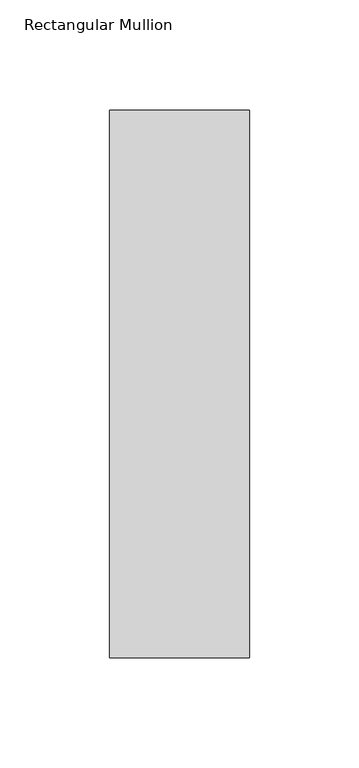
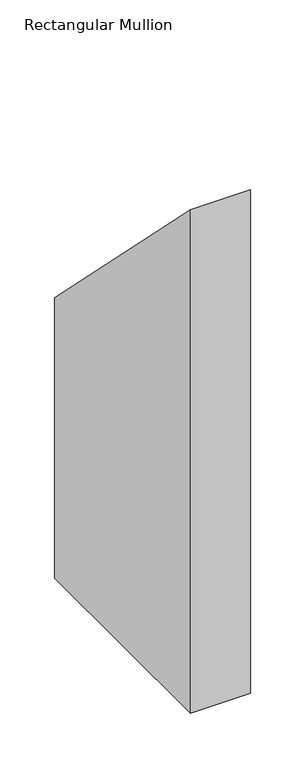
"""IFC4 building model written with IfcOpenShell, lengths in millimetres: member geometry, Rectangular Mullion."""

from ifc_helpers import new_model, si_unit, frame, origin, place, context, project, spatial, polyline, outline, extrude, source, transform, mapped, element, save


def rectangular_mullion_de3bbc6e(model_context):
    return source(origin(), model_context, "Body", "SweptSolid", [
        extrude(outline(polyline([(46.7447302, -46.7447302), (295.9695312, -295.9695312), (295.9695312, -609.56825), (46.7447302, -609.56825), (46.7447302, -46.7447302)])), frame((-63.5, 0.0, 0.0), z_axis=(1.0, 0.0, 0.0), x_axis=(0.0, 1.0, 0.0)), (0.0, 0.0, 1.0), 63.5),
    ])


if __name__ == "__main__":
    model = new_model("IFC4")
    model_context = context("Model", 3, world=origin())
    ifc_project = project(units=[si_unit("LENGTHUNIT", "METRE", prefix="MILLI")], contexts=[model_context])
    site = spatial("IfcSite", under=ifc_project)
    building = spatial("IfcBuilding", under=site)
    placement = place(None, origin())
    rectangular_mullion_shape = rectangular_mullion_de3bbc6e(model_context)
    element("IfcMember", 1, ObjectType="Rectangular Mullion", at=placement, inside=building, context=model_context, shape_type="MappedRepresentation", body=[
        mapped(rectangular_mullion_shape, transform((0.0, 0.0, 0.0), x_axis=(1.0, 0.0, 0.0), y_axis=(0.0, 1.0, 0.0), z_axis=(0.0, 0.0, 1.0))),
    ])
    save(model, "model.ifc")
